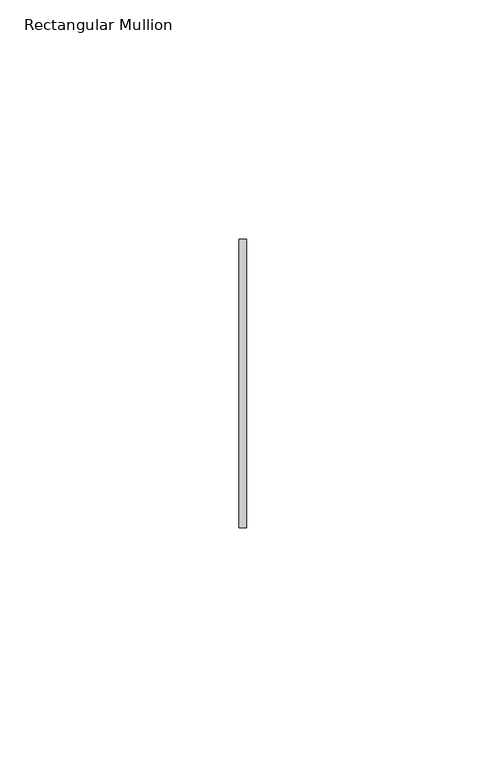
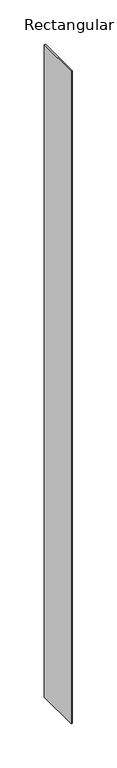
"""IFC4 building model written with IfcOpenShell, lengths in millimetres: member geometry, Rectangular Mullion."""

from ifc_helpers import new_model, si_unit, frame, origin, place, context, project, spatial, polyline, outline, extrude, source, transform, mapped, element, save


def rectangular_mullion_395b09fb(model_context):
    return source(origin(), model_context, "Body", "SweptSolid", [
        extrude(outline(polyline([(0.0, 30.1625), (0.0, -30.1625), (-1.5875, -30.1625), (-1.5875, 30.1625), (0.0, 30.1625)])), frame((0.0, 0.0, -898.525), z_axis=(0.0, 0.0, 1.0), x_axis=(1.0, 0.0, 0.0)), (0.0, 0.0, 1.0), 898.525),
    ])


if __name__ == "__main__":
    model = new_model("IFC4")
    model_context = context("Model", 3, world=origin())
    ifc_project = project(units=[si_unit("LENGTHUNIT", "METRE", prefix="MILLI")], contexts=[model_context])
    site = spatial("IfcSite", under=ifc_project)
    building = spatial("IfcBuilding", under=site)
    placement = place(None, origin())
    rectangular_mullion_shape = rectangular_mullion_395b09fb(model_context)
    element("IfcMember", 1, ObjectType="Rectangular Mullion", at=placement, inside=building, context=model_context, shape_type="MappedRepresentation", body=[
        mapped(rectangular_mullion_shape, transform((0.0, 0.0, 0.0), x_axis=(1.0, 0.0, 0.0), y_axis=(0.0, 1.0, 0.0), z_axis=(0.0, 0.0, 1.0))),
    ])
    save(model, "model.ifc")
